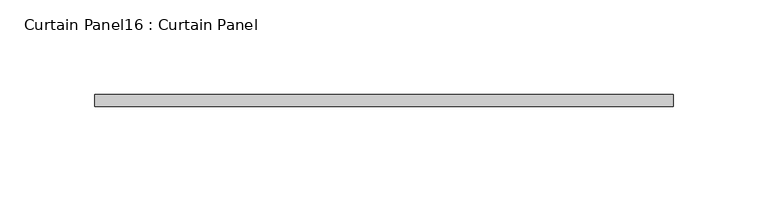
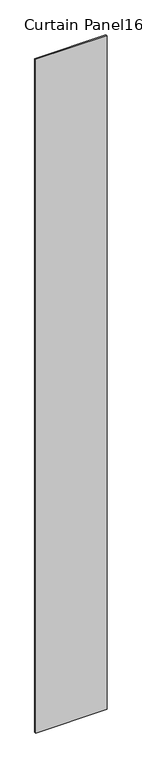
"""IFC4 building model written with IfcOpenShell, lengths in millimetres: plate geometry, Curtain Panel16 : Curtain Panel."""

from ifc_helpers import new_model, si_unit, origin, origin_with_axes, place, context, project, spatial, polyline, outline, extrude, source, transform, mapped, element, save


def curtain_panel16_curtain_panel_5d82f93a(model_context):
    return source(origin(), model_context, "Body", "SweptSolid", [
        extrude(outline(polyline([(203524.887692, 2274.3255785), (203830.8321519, 2274.3255785), (203830.8321519, 2267.9755785), (203524.887692, 2267.9755785), (203524.887692, 2274.3255785)])), origin_with_axes(), (0.0, 0.0, 1.0), 3048.0),
    ])


if __name__ == "__main__":
    model = new_model("IFC4")
    model_context = context("Model", 3, world=origin())
    ifc_project = project(units=[si_unit("LENGTHUNIT", "METRE", prefix="MILLI")], contexts=[model_context])
    site = spatial("IfcSite", under=ifc_project)
    building = spatial("IfcBuilding", under=site)
    placement = place(None, origin())
    curtain_panel16_curtain_panel_shape = curtain_panel16_curtain_panel_5d82f93a(model_context)
    element("IfcPlate", 1, ObjectType="Curtain Panel16 : Curtain Panel", at=placement, inside=building, context=model_context, shape_type="MappedRepresentation", body=[
        mapped(curtain_panel16_curtain_panel_shape, transform((0.0, 0.0, 0.0), x_axis=(1.0, 0.0, 0.0), y_axis=(0.0, 1.0, 0.0), z_axis=(0.0, 0.0, 1.0))),
    ])
    save(model, "model.ifc")
